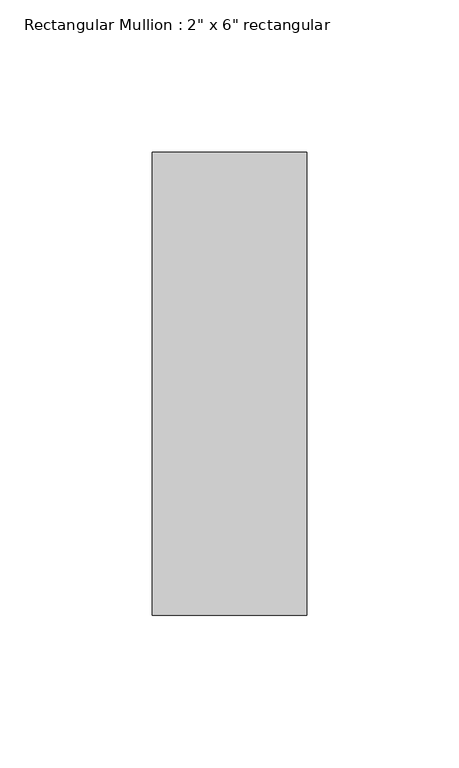
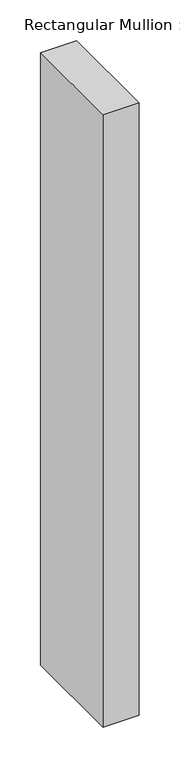
"""IFC4 building model written with IfcOpenShell, lengths in millimetres: member geometry."""

from ifc_helpers import new_model, si_unit, frame, origin, place, context, project, spatial, polyline, outline, extrude, source, transform, mapped, element, save


def member_7e97de0e(model_context):
    return source(origin(), model_context, "Body", "SweptSolid", [
        extrude(outline(polyline([(0.0, 76.2), (0.0, -76.2), (-50.8, -76.2), (-50.8, 76.2), (0.0, 76.2)])), frame((0.0, 0.0, -914.4), z_axis=(0.0, 0.0, 1.0), x_axis=(1.0, 0.0, 0.0)), (0.0, 0.0, 1.0), 914.4),
    ])


if __name__ == "__main__":
    model = new_model("IFC4")
    model_context = context("Model", 3, world=origin())
    ifc_project = project(units=[si_unit("LENGTHUNIT", "METRE", prefix="MILLI")], contexts=[model_context])
    site = spatial("IfcSite", under=ifc_project)
    building = spatial("IfcBuilding", under=site)
    placement = place(None, origin())
    member_shape = member_7e97de0e(model_context)
    element("IfcMember", 1, ObjectType="Rectangular Mullion : 2\" x 6\" rectangular", at=placement, inside=building, context=model_context, shape_type="MappedRepresentation", body=[
        mapped(member_shape, transform((0.0, 0.0, 0.0), x_axis=(1.0, 0.0, 0.0), y_axis=(0.0, 1.0, 0.0), z_axis=(0.0, 0.0, 1.0))),
    ])
    save(model, "model.ifc")
